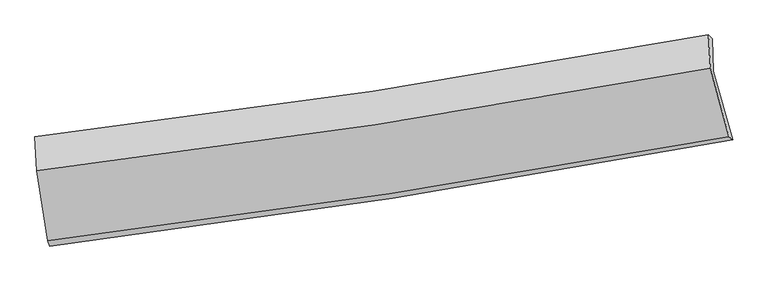
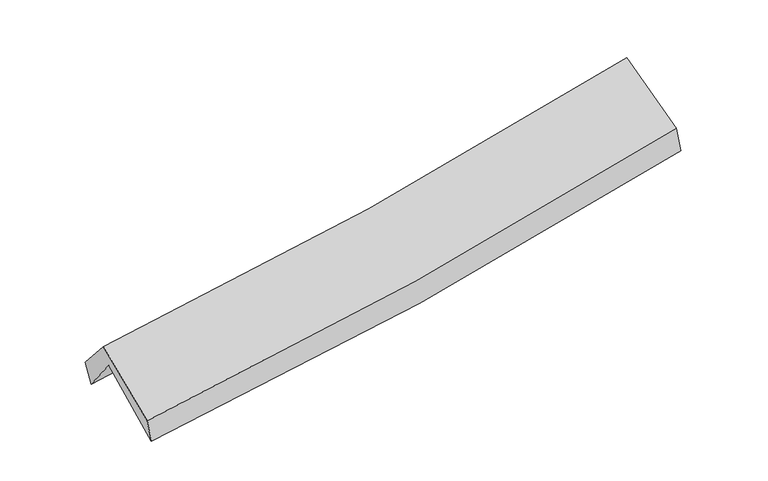
"""IFC4 building model written with IfcOpenShell, lengths in millimetres: proxy geometry."""

from ifc_helpers import new_model, si_unit, frame, origin, place, context, project, spatial, source, transform, mapped, element, save
from ifc_brep_helpers import plane_surface, spline_curve, spline_surface, advanced_brep


def generic_models_2f04c0e7(model_context):
    return source(origin(), model_context, "Body", "AdvancedBrep", [
        advanced_brep(
        [(-2440.8012755, -2464.5320771, 1499.1833165), (-2522.9452464, -1967.1494589, 1923.1254268), (2453.9830296, -1176.236233, 2352.0094563), (2595.8153975, -1679.6683691, 1922.8305138), (-2533.7477819, -1722.5457565, 1606.9728808), (2444.4713266, -937.8731251, 2043.7994821), (-2550.6991586, -1659.4406919, 1776.511684), (2418.0719268, -908.1095497, 2228.9975942), (-2537.6874496, -1909.9206652, 2065.6964633), (2431.7352747, -1154.673753, 2513.8811008), (-2454.8859741, -2426.5541488, 1670.0520328), (2569.1335884, -1659.1722278, 2125.7982896)],
        [
            (0, 1),
            (1, 2, spline_curve(3, [(-2522.9452464, -1967.1494589, 1923.1254268), (-1687.389080794, -1862.222887087, 1980.124106398), (-854.745542516, -1743.82676128, 2044.376458509), (804.227116346, -1480.173141977, 2187.346352015), (1630.559669926, -1334.931526037, 2266.05534287), (2453.9830296, -1176.236233, 2352.0094563)], [4, 2, 4], [0.0, 8.34824381927948, 16.691565966522074])),
            (2, 3),
            (3, 0, spline_curve(3, [(2595.8153975, -1679.6683691, 1922.8305138), (1762.630745553, -1837.814410672, 1822.990241102), (926.445006541, -1982.277490652, 1737.772268346), (-752.423676249, -2243.914874499, 1596.539279721), (-1595.110161575, -2361.073030267, 1540.54151984), (-2440.8012755, -2464.5320771, 1499.1833165)], [4, 2, 4], [0.0, 8.343322147242594, 16.691565966522074])),
            (1, 4),
            (4, 5, spline_curve(3, [(-2533.7477819, -1722.5457565, 1606.9728808), (-1698.411552071, -1609.843884095, 1654.493744035), (-865.770316129, -1488.081610582, 1714.670856782), (793.632876413, -1226.513386976, 1860.294642415), (1620.398010055, -1086.718116733, 1945.726396695), (2444.4713266, -937.8731251, 2043.7994821)], [4, 2, 4], [0.0, 8.301422343601505, 16.59795061857021])),
            (5, 2),
            (4, 6),
            (6, 7, spline_curve(3, [(-2550.6991586, -1659.4406919, 1776.511684), (-1715.515413937, -1561.580118716, 1826.11949298), (-883.738197659, -1450.016402757, 1888.645482881), (772.514815404, -1199.556536392, 2039.489346925), (1596.99462752, -1060.67653821, 2127.791993702), (2418.0719268, -908.1095497, 2228.9975942)], [4, 2, 4], [0.0, 8.291987286502582, 16.5790860667706])),
            (7, 5),
            (6, 8),
            (8, 9, spline_curve(3, [(-2537.6874496, -1909.9206652, 2065.6964633), (-1702.510716146, -1809.429386776, 2112.290905204), (-870.682669333, -1696.224199767, 2172.952004963), (785.78762481, -1444.460242507, 2322.363465002), (1610.43381936, -1305.916458941, 2411.097244303), (2431.7352747, -1154.673753, 2513.8811008)], [4, 2, 4], [0.0, 8.28255367503942, 16.560224405390244])),
            (9, 7),
            (8, 10),
            (10, 11, spline_curve(3, [(-2454.8859741, -2426.5541488, 1670.0520328), (-1611.559439369, -2323.153724343, 1718.591537263), (-771.105273398, -2207.482545653, 1780.855388354), (903.564528372, -1951.674107776, 1932.786984524), (1737.78354987, -1811.551312819, 2022.438552544), (2569.1335884, -1659.1722278, 2125.7982896)], [4, 2, 4], [0.0, 8.329321832742336, 16.653733148825374])),
            (11, 9),
            (10, 0),
            (3, 11),
        ],
        [
            spline_surface(3, 3, [[(-2440.8012755, -2464.5320771, 1499.1833165), (-1595.110161496, -2361.073030365, 1540.541519836), (-752.423676179, -2243.914874451, 1596.539279678), (926.445006472, -1982.2774907, 1737.772268389), (1762.630745477, -1837.81441063, 1822.990241005), (2595.8153975, -1679.6683691, 1922.8305138)], [(-2468.182599126, -2298.73787102, 1640.49735328), (-1625.869801299, -2194.789649269, 1687.069048686), (-786.530964939, -2077.218836691, 1745.818339297), (885.705709757, -1814.909374486, 1887.630296234), (1718.607053613, -1670.186782431, 1970.678608328), (2548.53794156, -1511.857657072, 2065.890161324)], [(-2495.563922774, -2132.94366498, 1781.81139002), (-1656.629441123, -2028.506268214, 1833.596577494), (-820.638253717, -1910.522798944, 1895.097398949), (844.966413022, -1647.541258286, 2037.488324111), (1674.58336167, -1502.559154216, 2118.366975578), (2501.26048554, -1344.046945028, 2208.949808776)], [(-2522.9452464, -1967.1494589, 1923.1254268), (-1687.389080927, -1862.222887118, 1980.124106343), (-854.745542477, -1743.826761185, 2044.376458568), (804.227116307, -1480.173142073, 2187.346351956), (1630.559669806, -1334.931526017, 2266.055342902), (2453.9830296, -1176.236233, 2352.0094563)]], [4, 4], [4, 2, 4], [0.0, 2.237321918530295], [0.0, 8.34824381927948, 16.691565966522074]),
            spline_surface(3, 3, [[(-2522.9452464, -1967.1494589, 1923.1254268), (-1687.389080927, -1862.222887118, 1980.124106343), (-854.745542477, -1743.826761185, 2044.376458568), (804.227116307, -1480.173142073, 2187.346351956), (1630.559669806, -1334.931526017, 2266.055342902), (2453.9830296, -1176.236233, 2352.0094563)], [(-2526.546091571, -1885.614891463, 1817.741244794), (-1691.063238007, -1778.096552839, 1871.580652255), (-858.420467097, -1658.578377678, 1934.474591332), (800.695703023, -1395.61989037, 2078.329115453), (1627.172449888, -1252.193722926, 2159.279027528), (2450.812461905, -1096.781863714, 2249.272798239)], [(-2530.146936729, -1804.080323937, 1712.357062806), (-1694.737395072, -1693.970218471, 1763.037198183), (-862.095391635, -1573.329994135, 1824.572724041), (797.164289822, -1311.066638632, 1969.311878896), (1623.785230057, -1169.455919795, 2052.502712138), (2447.641894295, -1017.327494386, 2146.536140161)], [(-2533.7477819, -1722.5457565, 1606.9728808), (-1698.411552152, -1609.843884192, 1654.493744094), (-865.770316255, -1488.081610628, 1714.670856805), (793.632876538, -1226.513386929, 1860.294642393), (1620.398010139, -1086.718116704, 1945.726396764), (2444.4713266, -937.8731251, 2043.7994821)]], [4, 4], [4, 2, 4], [0.0, 1.3639124830340017], [0.0, 8.301422343601505, 16.59795061857021]),
            spline_surface(3, 3, [[(-2533.7477819, -1722.5457565, 1606.9728808), (-1698.411552152, -1609.843884192, 1654.493744094), (-865.770316255, -1488.081610628, 1714.670856805), (793.632876538, -1226.513386929, 1860.294642393), (1620.398010139, -1086.718116704, 1945.726396764), (2444.4713266, -937.8731251, 2043.7994821)], [(-2539.398240801, -1701.510734941, 1663.485815185), (-1704.112839401, -1593.75596235, 1711.702327038), (-871.75961006, -1475.393208024, 1772.662398827), (786.593522825, -1217.527770043, 1920.026210547), (1612.596882645, -1078.037590499, 2006.414929056), (2435.671526691, -927.9519333, 2105.532186132)], [(-2545.048699699, -1680.475713459, 1719.998749615), (-1709.814126647, -1577.668040583, 1768.910910027), (-877.748903856, -1462.704805451, 1830.653940889), (779.55416912, -1208.542153188, 1979.757778741), (1604.795755079, -1069.357064295, 2067.103461351), (2426.871726709, -918.0307415, 2167.264890168)], [(-2550.6991586, -1659.4406919, 1776.511684), (-1715.515413896, -1561.580118741, 1826.119492971), (-883.738197662, -1450.016402847, 1888.645482911), (772.514815406, -1199.556536302, 2039.489346896), (1596.994627586, -1060.67653809, 2127.791993643), (2418.0719268, -908.1095497, 2228.9975942)]], [4, 4], [4, 2, 4], [0.0, 0.5925588499273281], [0.0, 8.291987286502582, 16.5790860667706]),
            spline_surface(3, 3, [[(-2550.6991586, -1659.4406919, 1776.511684), (-1715.515413896, -1561.580118741, 1826.119492971), (-883.738197662, -1450.016402847, 1888.645482911), (772.514815406, -1199.556536302, 2039.489346896), (1596.994627586, -1060.67653809, 2127.791993643), (2418.0719268, -908.1095497, 2228.9975942)], [(-2546.361922243, -1742.934016345, 1872.906610441), (-1711.180514658, -1644.196541476, 1921.509963681), (-879.386354886, -1532.085668464, 1983.414323574), (776.939085216, -1281.191105041, 2133.780719618), (1601.474358164, -1142.423178385, 2222.227077217), (2422.626376077, -990.297617458, 2323.958763057)], [(-2542.024685957, -1826.427340755, 1969.301536859), (-1706.84561549, -1726.812964175, 2016.900434368), (-875.034512122, -1614.15493411, 2078.183164239), (781.363355014, -1362.825673809, 2228.072092341), (1605.954088811, -1224.169818706, 2316.662160821), (2427.180825423, -1072.485685242, 2418.919931943)], [(-2537.6874496, -1909.9206652, 2065.6964633), (-1702.510716253, -1809.429386909, 2112.290905078), (-870.682669346, -1696.224199726, 2172.952004902), (785.787624823, -1444.460242547, 2322.363465063), (1610.433819389, -1305.916459, 2411.097244396), (2431.7352747, -1154.673753, 2513.8811008)]], [4, 4], [4, 2, 4], [0.0, 1.2314947060384946], [0.0, 8.28255367503942, 16.560224405390244]),
            spline_surface(3, 3, [[(-2537.6874496, -1909.9206652, 2065.6964633), (-1702.510716253, -1809.429386909, 2112.290905078), (-870.682669346, -1696.224199726, 2172.952004902), (785.787624823, -1444.460242547, 2322.363465063), (1610.433819389, -1305.916459, 2411.097244396), (2431.7352747, -1154.673753, 2513.8811008)], [(-2510.086957766, -2082.131826393, 1933.814986475), (-1672.193623959, -1980.670832681, 1981.057782481), (-837.490204004, -1866.643648361, 2042.253132696), (825.046592671, -1613.531530995, 2192.504638273), (1652.883729543, -1474.461410276, 2281.544347129), (2477.534712596, -1322.839911265, 2384.520163719)], [(-2482.486465934, -2254.342987607, 1801.933509625), (-1641.876531668, -2151.912278475, 1849.824659859), (-804.297738699, -2037.063096949, 1911.554260441), (864.305560483, -1782.602819396, 2062.645811432), (1695.333639709, -1643.006361555, 2151.991449904), (2523.334150504, -1491.006069535, 2255.159226681)], [(-2454.8859741, -2426.5541488, 1670.0520328), (-1611.559439374, -2323.153724247, 1718.591537262), (-771.105273357, -2207.482545584, 1780.855388235), (903.564528331, -1951.674107844, 1932.786984642), (1737.783549862, -1811.551312831, 2022.438552637), (2569.1335884, -1659.1722278, 2125.7982896)]], [4, 4], [4, 2, 4], [0.0, 2.136040874999743], [0.0, 8.329321832742336, 16.653733148825374]),
            spline_surface(3, 3, [[(-2454.8859741, -2426.5541488, 1670.0520328), (-1611.559439374, -2323.153724247, 1718.591537262), (-771.105273357, -2207.482545584, 1780.855388235), (903.564528331, -1951.674107844, 1932.786984642), (1737.783549862, -1811.551312831, 2022.438552637), (2569.1335884, -1659.1722278, 2125.7982896)], [(-2450.191074592, -2439.213458238, 1613.095794024), (-1606.076346774, -2335.793492957, 1659.241531444), (-764.87807429, -2219.626655203, 1719.416685373), (911.191354386, -1961.875235459, 1867.782079214), (1746.065948405, -1820.305678755, 1955.955782089), (2578.027524771, -1666.004274892, 2058.142364329)], [(-2445.496175008, -2451.872767662, 1556.139555276), (-1600.593254096, -2348.433261655, 1599.891525654), (-758.650875247, -2231.770764832, 1657.977982541), (918.818180417, -1972.076363084, 1802.777173817), (1754.348346934, -1829.060044705, 1889.473011554), (2586.921461129, -1672.836322008, 1990.486439071)], [(-2440.8012755, -2464.5320771, 1499.1833165), (-1595.110161496, -2361.073030365, 1540.541519836), (-752.423676179, -2243.914874451, 1596.539279678), (926.445006472, -1982.2774907, 1737.772268389), (1762.630745477, -1837.81441063, 1822.990241005), (2595.8153975, -1679.6683691, 1922.8305138)]], [4, 4], [4, 2, 4], [0.0, 0.635561725832071], [0.0, 8.38562724008389, 16.766310768892364]),
            plane_surface(frame((2485.5350906, -1252.6222096, 2197.8860728), z_axis=(0.9772190814936741, 0.1814143612242009, 0.11014397989120947), x_axis=(0.2110064700710952, -0.7747725533546297, -0.5959897315864456))),
            plane_surface(frame((-2506.794481, -2025.0237997, 1756.923634), z_axis=(-0.9916614947639851, -0.11609631116424295, -0.05593859433802382), x_axis=(-0.0802070905120183, 0.21627009826817703, 0.9730334358215394))),
        ],
        [
            (0, [[1, 2, 3, 4]]),
            (1, [[5, 6, 7, -2]]),
            (2, [[8, 9, 10, -6]]),
            (3, [[11, 12, 13, -9]]),
            (4, [[14, 15, 16, -12]]),
            (5, [[17, -4, 18, -15]]),
            (6, [[-16, -18, -3, -7, -10, -13]]),
            (7, [[-17, -14, -11, -8, -5, -1]]),
        ],
    ),
    ])


if __name__ == "__main__":
    model = new_model("IFC4")
    model_context = context("Model", 3, world=origin())
    ifc_project = project(units=[si_unit("LENGTHUNIT", "METRE", prefix="MILLI")], contexts=[model_context])
    site = spatial("IfcSite", under=ifc_project)
    building = spatial("IfcBuilding", under=site)
    placement = place(None, origin())
    generic_models_shape = generic_models_2f04c0e7(model_context)
    element("IfcBuildingElementProxy", 1, Name="Generic Models", at=placement, inside=building, context=model_context, shape_type="MappedRepresentation", body=[
        mapped(generic_models_shape, transform((0.0, 0.0, 0.0), x_axis=(1.0, 0.0, 0.0), y_axis=(0.0, 1.0, 0.0), z_axis=(0.0, 0.0, 1.0))),
    ])
    save(model, "model.ifc")
